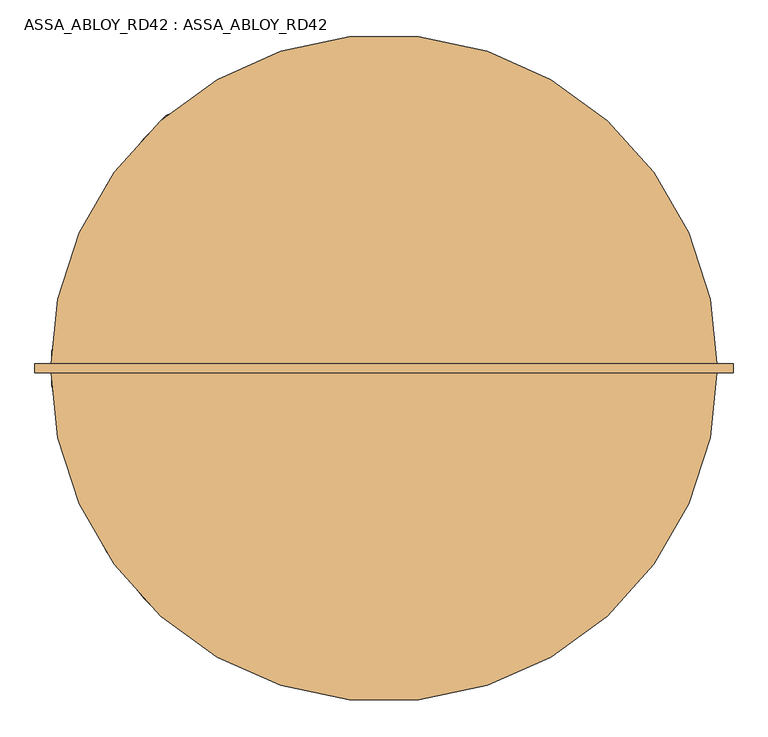
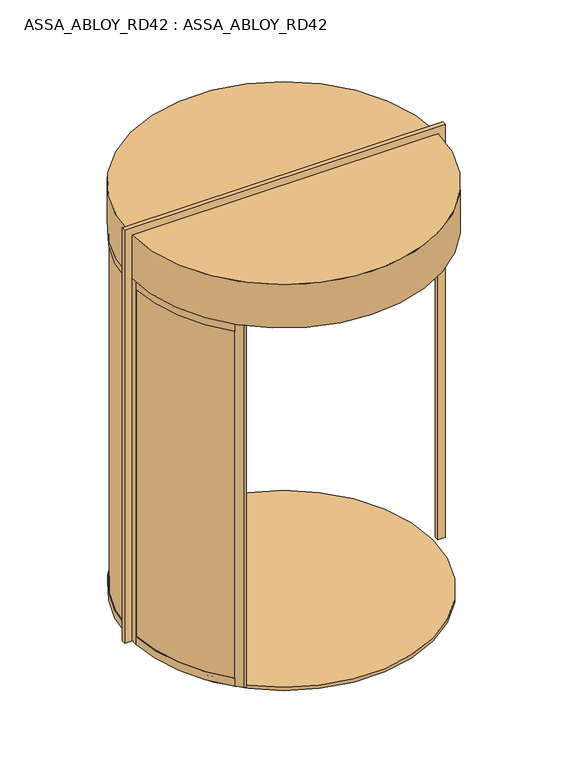
"""IFC4 building model written with IfcOpenShell, lengths in millimetres: door geometry, ASSA_ABLOY_RD42 : ASSA_ABLOY_RD42."""

from ifc_helpers import new_model, si_unit, point, frame, frame_2d, origin, origin_with_axes, place, context, project, spatial, polyline, circle_curve, trimmed, segment, composite_curve, outline, extrude, source, transform, mapped, element, save
from ifc_brep_helpers import plane_surface, cylinder_surface, revolved_surface, advanced_brep


def assa_abloy_rd42_assa_abloy_rd42_e7f5c2bb(model_context):
    return source(origin(), model_context, "Body", "SolidModel", [
        extrude(outline(composite_curve([segment(trimmed(circle_curve(frame_2d((125.0, 0.0)), 979.0), [point((-567.2575388, 692.2575388))], [point((-853.4493032, 32.8323171))], True, "CARTESIAN"), True, "CONTINUOUS"), segment(polyline([(-853.4493032, 32.8323171), (-863.4436781, 33.1676829)]), True, "CONTINUOUS"), segment(trimmed(circle_curve(frame_2d((125.0, 0.0)), 989.0), [point((-863.4436781, 33.1676829))], [point((-574.3286066, 699.3286066))], False, "CARTESIAN"), True, "CONTINUOUS"), segment(polyline([(-574.3286066, 699.3286066), (-567.2575388, 692.2575388)]), True, "CONTINUOUS")], self_intersect=False)), frame((0.0, 0.0, 33.0), z_axis=(0.0, 0.0, 1.0), x_axis=(1.0, 0.0, 0.0)), (0.0, 0.0, 1.0), 2437.0),
        advanced_brep(
        [(-575.2358565, 672.6891892, 0.0), (-593.9857353, 690.701464, 0.0), (-593.9857353, 690.701464, 53.0), (-591.8222877, 688.6231246, 53.0), (-591.8222877, 688.6231246, 33.0), (-577.3993041, 674.7675286, 33.0), (-577.3993041, 674.7675286, 53.0), (-575.2358565, 672.6891892, 53.0), (-844.6270403, 51.6178536, 0.0), (-844.6270403, 51.6178536, 53.0), (-847.6227984, 51.777332, 53.0), (-847.6227984, 51.777332, 33.0), (-867.5945191, 52.8405216, 33.0), (-867.5945191, 52.8405216, 53.0), (-870.5902772, 53.0, 53.0), (-870.5902772, 53.0, 0.0)],
        [
            (0, 1),
            (1, 2),
            (2, 3),
            (3, 4),
            (4, 5),
            (5, 6),
            (6, 7),
            (7, 0),
            (8, 9),
            (9, 10),
            (10, 11),
            (11, 12),
            (12, 13),
            (13, 14),
            (14, 15),
            (15, 8),
            (8, 0, circle_curve(frame((125.0, 0.0, 0.0), z_axis=(0.0, 0.0, -1.0), x_axis=(-0.7211491828453972, 0.6927798034595233, 0.0)), 971.0)),
            (7, 9, circle_curve(frame((125.0, 0.0, 53.0), z_axis=(0.0, 0.0, 1.0), x_axis=(-0.7211491828453972, 0.6927798034595233, 0.0)), 971.0)),
            (6, 10, circle_curve(frame((125.0, 0.0, 53.0), z_axis=(0.0, 0.0, 1.0), x_axis=(-0.7211491828453972, 0.6927798034595233, 0.0)), 974.0)),
            (5, 11, circle_curve(frame((125.0, 0.0, 33.0), z_axis=(0.0, 0.0, 1.0), x_axis=(-0.7211491828453972, 0.6927798034595233, 0.0)), 974.0)),
            (4, 12, circle_curve(frame((125.0, 0.0, 33.0), z_axis=(0.0, 0.0, 1.0), x_axis=(-0.7211491828453972, 0.6927798034595233, 0.0)), 994.0)),
            (3, 13, circle_curve(frame((125.0, 0.0, 53.0), z_axis=(0.0, 0.0, 1.0), x_axis=(-0.7211491828453972, 0.6927798034595233, 0.0)), 994.0)),
            (2, 14, circle_curve(frame((125.0, 0.0, 53.0), z_axis=(0.0, 0.0, 1.0), x_axis=(-0.7211491828453972, 0.6927798034595233, 0.0)), 997.0)),
            (1, 15, circle_curve(frame((125.0, 0.0, 0.0), z_axis=(0.0, 0.0, 1.0), x_axis=(-0.7211491828453972, 0.6927798034595233, 0.0)), 997.0)),
        ],
        [
            plane_surface(frame((-593.9857353, 690.701464, 0.0), z_axis=(0.6927798034595234, 0.7211491828453973, 0.0), x_axis=(0.0, 0.0, 1.0))),
            plane_surface(frame((-870.5902772, 53.0, 0.0), z_axis=(-0.053159478434998075, -0.9985860352781423, 0.0), x_axis=(0.0, 0.0, 1.0))),
            revolved_surface(polyline([(-575.2358565428807, 672.6891891591971, 53.0), (-575.2358565428807, 672.6891891591971, 0.0)]), (125.0, 0.0, 0.0), (0.0, 0.0, 1.0)),
            plane_surface(frame((125.0, 0.0, 53.0), z_axis=(0.0, 0.0, 1.0), x_axis=(-0.7211491828453973, 0.6927798034595234, 0.0))),
            cylinder_surface(frame((125.0, 0.0, 0.0), z_axis=(0.0, 0.0, 1.0), x_axis=(-0.7211491828453972, 0.6927798034595233, 0.0)), 974.0),
            plane_surface(frame((125.0, 0.0, 33.0), z_axis=(0.0, 0.0, 1.0), x_axis=(-0.7211491828453973, 0.6927798034595234, 0.0))),
            revolved_surface(polyline([(-591.8222877483248, 688.6231246387662, 53.0), (-591.8222877483248, 688.6231246387662, 33.0)]), (125.0, 0.0, 0.0), (0.0, 0.0, 1.0)),
            cylinder_surface(frame((125.0, 0.0, 0.0), z_axis=(0.0, 0.0, 1.0), x_axis=(-0.7211491828453972, 0.6927798034595233, 0.0)), 997.0),
            plane_surface(frame((125.0, 0.0, 0.0), z_axis=(0.0, 0.0, -1.0), x_axis=(-0.7211491828453973, 0.6927798034595234, 0.0))),
        ],
        [
            (0, [[1, 2, 3, 4, 5, 6, 7, 8]]),
            (1, [[9, 10, 11, 12, 13, 14, 15, 16]]),
            (2, [[17, -8, 18, -9]]),
            (3, [[-18, -7, 19, -10]]),
            (4, [[-19, -6, 20, -11]]),
            (5, [[-20, -5, 21, -12]]),
            (6, [[-21, -4, 22, -13]]),
            (3, [[-22, -3, 23, -14]]),
            (7, [[-23, -2, 24, -15]]),
            (8, [[-24, -1, -17, -16]]),
        ],
    ),
        advanced_brep(
        [(-844.6270403, 51.6178536, 2500.0), (-870.5902772, 53.0, 2500.0), (-870.5902772, 53.0, 2450.0), (-867.5945191, 52.8405216, 2450.0), (-867.5945191, 52.8405216, 2470.0), (-847.6227984, 51.777332, 2470.0), (-847.6227984, 51.777332, 2450.0), (-844.6270403, 51.6178536, 2450.0), (-575.2358565, 672.6891892, 2500.0), (-575.2358565, 672.6891892, 2450.0), (-577.3993041, 674.7675286, 2450.0), (-577.3993041, 674.7675286, 2470.0), (-591.8222877, 688.6231246, 2470.0), (-591.8222877, 688.6231246, 2450.0), (-593.9857353, 690.701464, 2450.0), (-593.9857353, 690.701464, 2500.0)],
        [
            (0, 1),
            (1, 2),
            (2, 3),
            (3, 4),
            (4, 5),
            (5, 6),
            (6, 7),
            (7, 0),
            (8, 9),
            (9, 10),
            (10, 11),
            (11, 12),
            (12, 13),
            (13, 14),
            (14, 15),
            (15, 8),
            (8, 0, circle_curve(frame((125.0, 0.0, 2500.0), z_axis=(0.0, 0.0, 1.0), x_axis=(-0.9985860352779656, 0.05315947843831304, 0.0)), 971.0)),
            (7, 9, circle_curve(frame((125.0, 0.0, 2450.0), z_axis=(0.0, 0.0, -1.0), x_axis=(-0.9985860352779656, 0.05315947843831304, 0.0)), 971.0)),
            (6, 10, circle_curve(frame((125.0, 0.0, 2450.0), z_axis=(0.0, 0.0, -1.0), x_axis=(-0.9985860352779656, 0.05315947843831304, 0.0)), 974.0)),
            (14, 2, circle_curve(frame((125.0, 0.0, 2450.0), z_axis=(0.0, 0.0, 1.0), x_axis=(-0.9985860352779656, 0.05315947843831304, 0.0)), 997.0)),
            (1, 15, circle_curve(frame((125.0, 0.0, 2500.0), z_axis=(0.0, 0.0, -1.0), x_axis=(-0.9985860352779656, 0.05315947843831304, 0.0)), 997.0)),
            (5, 11, circle_curve(frame((125.0, 0.0, 2470.0), z_axis=(0.0, 0.0, -1.0), x_axis=(-0.9985860352779656, 0.05315947843831304, 0.0)), 974.0)),
            (4, 12, circle_curve(frame((125.0, 0.0, 2470.0), z_axis=(0.0, 0.0, -1.0), x_axis=(-0.9985860352779656, 0.05315947843831304, 0.0)), 994.0)),
            (3, 13, circle_curve(frame((125.0, 0.0, 2450.0), z_axis=(0.0, 0.0, -1.0), x_axis=(-0.9985860352779656, 0.05315947843831304, 0.0)), 994.0)),
        ],
        [
            plane_surface(frame((-870.5902772, 53.0, 2500.0), z_axis=(-0.05315947843831304, -0.9985860352779657, 0.0), x_axis=(0.0, 0.0, 1.0))),
            plane_surface(frame((-593.9857353, 690.701464, 2500.0), z_axis=(0.6927798034621088, 0.7211491828429136, 0.0), x_axis=(0.0, 0.0, 1.0))),
            revolved_surface(polyline([(-844.6270402549046, 51.61785356360196, 2450.0), (-844.6270402549046, 51.61785356360196, 2500.0)]), (125.0, 0.0, 2500.0), (0.0, 0.0, -1.0)),
            plane_surface(frame((125.0, 0.0, 2450.0), z_axis=(0.0, 0.0, -1.0), x_axis=(-0.9985860352779657, 0.05315947843831305, 0.0))),
            cylinder_surface(frame((125.0, 0.0, 2500.0), z_axis=(0.0, 0.0, -1.0), x_axis=(-0.9985860352779656, 0.05315947843831304, 0.0)), 997.0),
            plane_surface(frame((125.0, 0.0, 2500.0), z_axis=(0.0, 0.0, 1.0), x_axis=(-0.9985860352779657, 0.05315947843831305, 0.0))),
            cylinder_surface(frame((125.0, 0.0, 2500.0), z_axis=(0.0, 0.0, -1.0), x_axis=(-0.9985860352779656, 0.05315947843831304, 0.0)), 974.0),
            plane_surface(frame((125.0, 0.0, 2470.0), z_axis=(0.0, 0.0, -1.0), x_axis=(-0.9985860352779657, 0.05315947843831305, 0.0))),
            revolved_surface(polyline([(-867.5945190662978, 52.84052156768316, 2450.0), (-867.5945190662978, 52.84052156768316, 2470.0)]), (125.0, 0.0, 2500.0), (0.0, 0.0, -1.0)),
        ],
        [
            (0, [[1, 2, 3, 4, 5, 6, 7, 8]]),
            (1, [[9, 10, 11, 12, 13, 14, 15, 16]]),
            (2, [[17, -8, 18, -9]]),
            (3, [[-18, -7, 19, -10]]),
            (4, [[20, -2, 21, -15]]),
            (5, [[-21, -1, -17, -16]]),
            (6, [[-19, -6, 22, -11]]),
            (7, [[-22, -5, 23, -12]]),
            (8, [[-23, -4, 24, -13]]),
            (3, [[-24, -3, -20, -14]]),
        ],
    ),
        extrude(outline(composite_curve([segment(polyline([(-577.863883, 702.863883), (-592.0060186, 688.7217474), (-594.1270815, 690.8428103), (-549.5793543, 735.3905375), (-550.2864632, 736.0976464), (-529.0719672, 757.3121425)]), True, "CONTINUOUS"), segment(trimmed(circle_curve(frame_2d((-519.1727276, 747.4129028)), 13.9996389), [point((-529.0719672, 757.3121425))], [point((-509.273488, 737.5136632))], False, "CARTESIAN"), True, "CONTINUOUS"), segment(polyline([(-509.273488, 737.5136632), (-530.487984, 716.2991672), (-531.1950929, 717.0062761), (-575.7428202, 672.4585489), (-577.863883, 674.5796118), (-563.7217474, 688.7217474), (-577.863883, 702.863883)]), True, "CONTINUOUS")], self_intersect=False)), origin_with_axes(), (0.0, 0.0, 1.0), 2500.0),
        extrude(outline(polyline([(-872.0, 0.0), (-872.0, 53.0), (-869.0, 53.0), (-869.0, 33.0), (-849.0, 33.0), (-849.0, 53.0), (-846.0, 53.0), (-846.0, 0.0), (-872.0, 0.0)])), origin_with_axes(), (0.0, 0.0, 1.0), 2500.0),
        extrude(outline(composite_curve([segment(trimmed(circle_curve(frame_2d((125.0, 0.0)), 989.0), [point((-574.3286066, -699.3286066))], [point((-863.4436781, -33.1676829))], False, "CARTESIAN"), True, "CONTINUOUS"), segment(polyline([(-863.4436781, -33.1676829), (-853.4493032, -32.8323171)]), True, "CONTINUOUS"), segment(trimmed(circle_curve(frame_2d((125.0, 0.0)), 979.0), [point((-853.4493032, -32.8323171))], [point((-567.2575388, -692.2575388))], True, "CARTESIAN"), True, "CONTINUOUS"), segment(polyline([(-567.2575388, -692.2575388), (-574.3286066, -699.3286066)]), True, "CONTINUOUS")], self_intersect=False)), frame((0.0, 0.0, 33.0), z_axis=(0.0, 0.0, 1.0), x_axis=(1.0, 0.0, 0.0)), (0.0, 0.0, 1.0), 2437.0),
        advanced_brep(
        [(-575.2358565, -672.6891892, 0.0), (-575.2358565, -672.6891892, 53.0), (-577.3993041, -674.7675286, 53.0), (-577.3993041, -674.7675286, 33.0), (-591.8222877, -688.6231246, 33.0), (-591.8222877, -688.6231246, 53.0), (-593.9857353, -690.701464, 53.0), (-593.9857353, -690.701464, 0.0), (-844.6270403, -51.6178536, 0.0), (-870.5902772, -53.0, 0.0), (-870.5902772, -53.0, 53.0), (-867.5945191, -52.8405216, 53.0), (-867.5945191, -52.8405216, 33.0), (-847.6227984, -51.777332, 33.0), (-847.6227984, -51.777332, 53.0), (-844.6270403, -51.6178536, 53.0)],
        [
            (0, 1),
            (1, 2),
            (2, 3),
            (3, 4),
            (4, 5),
            (5, 6),
            (6, 7),
            (7, 0),
            (8, 9),
            (9, 10),
            (10, 11),
            (11, 12),
            (12, 13),
            (13, 14),
            (14, 15),
            (15, 8),
            (15, 1, circle_curve(frame((125.0, 0.0, 53.0), z_axis=(0.0, 0.0, 1.0), x_axis=(-0.72114918284517, -0.6927798034597599, 0.0)), 971.0)),
            (0, 8, circle_curve(frame((125.0, 0.0, 0.0), z_axis=(0.0, 0.0, -1.0), x_axis=(-0.72114918284517, -0.6927798034597599, 0.0)), 971.0)),
            (14, 2, circle_curve(frame((125.0, 0.0, 53.0), z_axis=(0.0, 0.0, 1.0), x_axis=(-0.72114918284517, -0.6927798034597599, 0.0)), 974.0)),
            (13, 3, circle_curve(frame((125.0, 0.0, 33.0), z_axis=(0.0, 0.0, 1.0), x_axis=(-0.72114918284517, -0.6927798034597599, 0.0)), 974.0)),
            (12, 4, circle_curve(frame((125.0, 0.0, 33.0), z_axis=(0.0, 0.0, 1.0), x_axis=(-0.72114918284517, -0.6927798034597599, 0.0)), 994.0)),
            (11, 5, circle_curve(frame((125.0, 0.0, 53.0), z_axis=(0.0, 0.0, 1.0), x_axis=(-0.72114918284517, -0.6927798034597599, 0.0)), 994.0)),
            (10, 6, circle_curve(frame((125.0, 0.0, 53.0), z_axis=(0.0, 0.0, 1.0), x_axis=(-0.72114918284517, -0.6927798034597599, 0.0)), 997.0)),
            (9, 7, circle_curve(frame((125.0, 0.0, 0.0), z_axis=(0.0, 0.0, 1.0), x_axis=(-0.72114918284517, -0.6927798034597599, 0.0)), 997.0)),
        ],
        [
            plane_surface(frame((-593.9857353, -690.701464, 0.0), z_axis=(0.6927798034597599, -0.7211491828451702, 0.0), x_axis=(0.0, 0.0, 1.0))),
            plane_surface(frame((-870.5902772, -53.0, 0.0), z_axis=(-0.05315947843611757, 0.9985860352780827, 0.0), x_axis=(0.0, 0.0, 1.0))),
            revolved_surface(polyline([(-575.2358565426601, -672.6891891594269, 0.0), (-575.2358565426601, -672.6891891594269, 53.0)]), (125.0, 0.0, 0.0), (0.0, 0.0, -1.0)),
            plane_surface(frame((125.0, 0.0, 53.0), z_axis=(0.0, 0.0, 1.0), x_axis=(-0.72114918284517, -0.6927798034597599, 0.0))),
            cylinder_surface(frame((125.0, 0.0, 0.0), z_axis=(0.0, 0.0, -1.0), x_axis=(-0.72114918284517, -0.6927798034597599, 0.0)), 974.0),
            plane_surface(frame((125.0, 0.0, 33.0), z_axis=(0.0, 0.0, 1.0), x_axis=(-0.72114918284517, -0.6927798034597599, 0.0))),
            revolved_surface(polyline([(-591.822287748099, -688.6231246390013, 33.0), (-591.822287748099, -688.6231246390013, 53.0)]), (125.0, 0.0, 0.0), (0.0, 0.0, -1.0)),
            cylinder_surface(frame((125.0, 0.0, 0.0), z_axis=(0.0, 0.0, -1.0), x_axis=(-0.72114918284517, -0.6927798034597599, 0.0)), 997.0),
            plane_surface(frame((125.0, 0.0, 0.0), z_axis=(0.0, 0.0, -1.0), x_axis=(-0.72114918284517, -0.6927798034597599, 0.0))),
        ],
        [
            (0, [[1, 2, 3, 4, 5, 6, 7, 8]]),
            (1, [[9, 10, 11, 12, 13, 14, 15, 16]]),
            (2, [[17, -1, 18, -16]]),
            (3, [[19, -2, -17, -15]]),
            (4, [[20, -3, -19, -14]]),
            (5, [[21, -4, -20, -13]]),
            (6, [[22, -5, -21, -12]]),
            (3, [[23, -6, -22, -11]]),
            (7, [[24, -7, -23, -10]]),
            (8, [[-18, -8, -24, -9]]),
        ],
    ),
        advanced_brep(
        [(-844.6270403, -51.6178536, 2500.0), (-844.6270403, -51.6178536, 2450.0), (-847.6227984, -51.777332, 2450.0), (-847.6227984, -51.777332, 2470.0), (-867.5945191, -52.8405216, 2470.0), (-867.5945191, -52.8405216, 2450.0), (-870.5902772, -53.0, 2450.0), (-870.5902772, -53.0, 2500.0), (-575.2358565, -672.6891892, 2500.0), (-593.9857353, -690.7014641, 2500.0), (-593.9857353, -690.7014641, 2450.0), (-591.8222878, -688.6231246, 2450.0), (-591.8222878, -688.6231246, 2470.0), (-577.3993041, -674.7675286, 2470.0), (-577.3993041, -674.7675286, 2450.0), (-575.2358565, -672.6891892, 2450.0)],
        [
            (0, 1),
            (1, 2),
            (2, 3),
            (3, 4),
            (4, 5),
            (5, 6),
            (6, 7),
            (7, 0),
            (8, 9),
            (9, 10),
            (10, 11),
            (11, 12),
            (12, 13),
            (13, 14),
            (14, 15),
            (15, 8),
            (15, 1, circle_curve(frame((125.0, 0.0, 2450.0), z_axis=(0.0, 0.0, -1.0), x_axis=(-0.998586035278223, -0.05315947843348043, 0.0)), 971.0)),
            (0, 8, circle_curve(frame((125.0, 0.0, 2500.0), z_axis=(0.0, 0.0, 1.0), x_axis=(-0.998586035278223, -0.05315947843348043, 0.0)), 971.0)),
            (14, 2, circle_curve(frame((125.0, 0.0, 2450.0), z_axis=(0.0, 0.0, -1.0), x_axis=(-0.998586035278223, -0.05315947843348043, 0.0)), 974.0)),
            (9, 7, circle_curve(frame((125.0, 0.0, 2500.0), z_axis=(0.0, 0.0, -1.0), x_axis=(-0.998586035278223, -0.05315947843348043, 0.0)), 997.0)),
            (6, 10, circle_curve(frame((125.0, 0.0, 2450.0), z_axis=(0.0, 0.0, 1.0), x_axis=(-0.998586035278223, -0.05315947843348043, 0.0)), 997.0)),
            (13, 3, circle_curve(frame((125.0, 0.0, 2470.0), z_axis=(0.0, 0.0, -1.0), x_axis=(-0.998586035278223, -0.05315947843348043, 0.0)), 974.0)),
            (12, 4, circle_curve(frame((125.0, 0.0, 2470.0), z_axis=(0.0, 0.0, -1.0), x_axis=(-0.998586035278223, -0.05315947843348043, 0.0)), 994.0)),
            (11, 5, circle_curve(frame((125.0, 0.0, 2450.0), z_axis=(0.0, 0.0, -1.0), x_axis=(-0.998586035278223, -0.05315947843348043, 0.0)), 994.0)),
        ],
        [
            plane_surface(frame((-870.5902772, -53.0, 2500.0), z_axis=(-0.0531594784334804, 0.998586035278223, 0.0), x_axis=(0.0, 0.0, 1.0))),
            plane_surface(frame((-593.9857353, -690.7014641, 2500.0), z_axis=(0.6927798034594096, -0.7211491828455066, 0.0), x_axis=(0.0, 0.0, 1.0))),
            revolved_surface(polyline([(-844.6270402551545, -51.617853558909495, 2500.0), (-844.6270402551545, -51.617853558909495, 2450.0)]), (125.0, 0.0, 2500.0), (0.0, 0.0, 1.0)),
            plane_surface(frame((125.0, 0.0, 2450.0), z_axis=(0.0, 0.0, -1.0), x_axis=(-0.998586035278223, -0.05315947843348043, 0.0))),
            cylinder_surface(frame((125.0, 0.0, 2500.0), z_axis=(0.0, 0.0, 1.0), x_axis=(-0.998586035278223, -0.05315947843348043, 0.0)), 997.0),
            plane_surface(frame((125.0, 0.0, 2500.0), z_axis=(0.0, 0.0, 1.0), x_axis=(-0.998586035278223, -0.05315947843348043, 0.0))),
            cylinder_surface(frame((125.0, 0.0, 2500.0), z_axis=(0.0, 0.0, 1.0), x_axis=(-0.998586035278223, -0.05315947843348043, 0.0)), 974.0),
            plane_surface(frame((125.0, 0.0, 2470.0), z_axis=(0.0, 0.0, -1.0), x_axis=(-0.998586035278223, -0.05315947843348043, 0.0))),
            revolved_surface(polyline([(-867.5945190665536, -52.840521562879545, 2470.0), (-867.5945190665536, -52.840521562879545, 2450.0)]), (125.0, 0.0, 2500.0), (0.0, 0.0, 1.0)),
        ],
        [
            (0, [[1, 2, 3, 4, 5, 6, 7, 8]]),
            (1, [[9, 10, 11, 12, 13, 14, 15, 16]]),
            (2, [[17, -1, 18, -16]]),
            (3, [[19, -2, -17, -15]]),
            (4, [[20, -7, 21, -10]]),
            (5, [[-18, -8, -20, -9]]),
            (6, [[22, -3, -19, -14]]),
            (7, [[23, -4, -22, -13]]),
            (8, [[24, -5, -23, -12]]),
            (3, [[-21, -6, -24, -11]]),
        ],
    ),
        extrude(outline(composite_curve([segment(polyline([(-577.863883, -702.863883), (-563.7217474, -688.7217474), (-577.863883, -674.5796118), (-575.7428202, -672.4585489), (-538.9730103, -709.2283587)]), True, "CONTINUOUS"), segment(trimmed(circle_curve(frame_2d((-548.1651408, -718.4204896)), 12.9996359), [point((-538.9730103, -709.2283587))], [point((-557.3572715, -727.6126203))], False, "CARTESIAN"), True, "CONTINUOUS"), segment(polyline([(-557.3572715, -727.6126203), (-594.1270815, -690.8428103), (-592.0060186, -688.7217474), (-577.863883, -702.863883)]), True, "CONTINUOUS")], self_intersect=False)), origin_with_axes(), (0.0, 0.0, 1.0), 2500.0),
        extrude(outline(polyline([(-872.0, 0.0), (-846.0, 0.0), (-846.0, -53.0), (-849.0, -53.0), (-849.0, -33.0), (-869.0, -33.0), (-869.0, -53.0), (-872.0, -53.0), (-872.0, 0.0)])), origin_with_axes(), (0.0, 0.0, 1.0), 2500.0),
        extrude(outline(composite_curve([segment(trimmed(circle_curve(frame_2d((125.0, 0.0)), 1000.0), [point((-875.0, 0.0))], [point((1125.0, 0.0))], False, "CARTESIAN"), True, "CONTINUOUS"), segment(trimmed(circle_curve(frame_2d((125.0, 0.0)), 1000.0), [point((1125.0, 0.0))], [point((-875.0, 0.0))], False, "CARTESIAN"), True, "CONTINUOUS")], self_intersect=False)), frame((0.0, 0.0, 2500.0), z_axis=(0.0, 0.0, 1.0), x_axis=(1.0, 0.0, 0.0)), (0.0, 0.0, 1.0), 300.0),
        extrude(outline(composite_curve([segment(trimmed(circle_curve(frame_2d((125.0, 0.0)), 971.0), [point((-846.0, 0.0))], [point((1096.0, 0.0))], False, "CARTESIAN"), True, "CONTINUOUS"), segment(trimmed(circle_curve(frame_2d((125.0, 0.0)), 971.0), [point((1096.0, 0.0))], [point((-846.0, 0.0))], False, "CARTESIAN"), True, "CONTINUOUS")], self_intersect=False)), frame((0.0, 0.0, -22.0), z_axis=(0.0, 0.0, 1.0), x_axis=(1.0, 0.0, 0.0)), (0.0, 0.0, 1.0), 22.0),
        extrude(outline(polyline([(2800.0, 1125.0), (2500.0, 1125.0), (2500.0, 1122.0), (0.0, 1122.0), (0.0, 1172.0), (2850.0, 1172.0), (2850.0, -922.0), (0.0, -922.0), (0.0, -872.0), (2500.0, -872.0), (2500.0, -875.0), (2800.0, -875.0), (2800.0, 1125.0)])), frame((0.0, -14.0, 0.0), z_axis=(0.0, 1.0, 0.0), x_axis=(0.0, 0.0, 1.0)), (0.0, 0.0, 1.0), 28.0),
    ])


if __name__ == "__main__":
    model = new_model("IFC4")
    model_context = context("Model", 3, world=origin())
    ifc_project = project(units=[si_unit("LENGTHUNIT", "METRE", prefix="MILLI")], contexts=[model_context])
    site = spatial("IfcSite", under=ifc_project)
    building = spatial("IfcBuilding", under=site)
    placement = place(None, origin())
    assa_abloy_rd42_assa_abloy_rd42_shape = assa_abloy_rd42_assa_abloy_rd42_e7f5c2bb(model_context)
    element("IfcDoor", 1, ObjectType="ASSA_ABLOY_RD42 : ASSA_ABLOY_RD42", at=placement, inside=building, context=model_context, shape_type="MappedRepresentation", body=[
        mapped(assa_abloy_rd42_assa_abloy_rd42_shape, transform((0.0, 0.0, 0.0), x_axis=(1.0, 0.0, 0.0), y_axis=(0.0, 1.0, 0.0), z_axis=(0.0, 0.0, 1.0))),
    ])
    save(model, "model.ifc")
